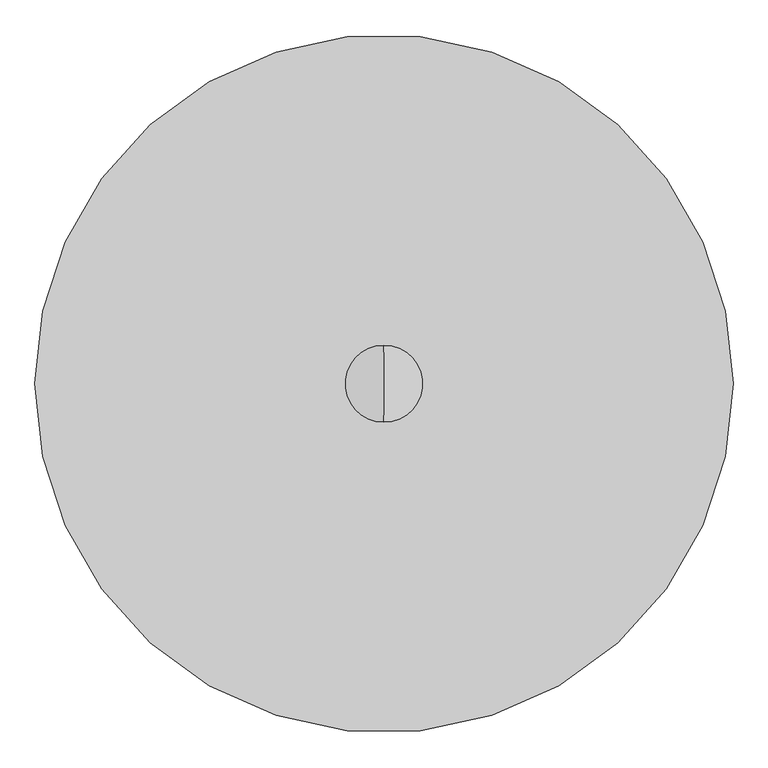
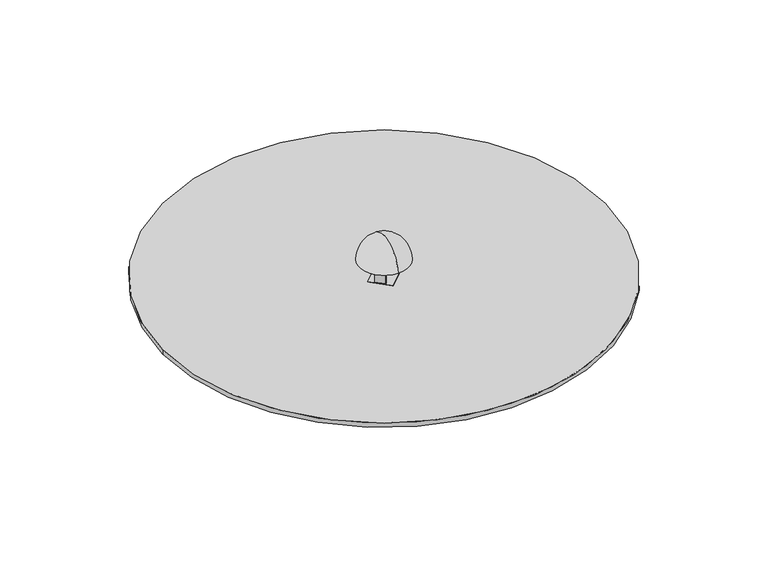
"""IFC4 building model written with IfcOpenShell, lengths in millimetres: furniture geometry."""

from ifc_helpers import new_model, si_unit, point, frame, frame_2d, origin, place, context, project, spatial, polyline, circle_curve, ellipse_curve, trimmed, segment, composite_curve, outline, extrude, faceted_brep, source, transform, mapped, element, save
from ifc_brep_helpers import plane_surface, cylinder_surface, revolved_surface, advanced_brep


def furniture_352353aa(model_context):
    return source(origin(), model_context, "Body", "SolidModel", [
        extrude(outline(polyline([(14.8658362, 0.0), (-14.2153009, 0.0), (-14.0085138, 4.9957221), (15.0726233, 4.9957221), (14.8658362, 0.0)])), frame((596.1171291, 1289.5894821, -530.9375), z_axis=(0.0, -0.39073112848927494, 0.9205048534524398), x_axis=(1.0, 0.0, 0.0)), (0.0, 0.0, 1.0), 543.1801887),
        extrude(outline(polyline([(14.8658362, 0.0), (15.0726233, -4.9957221), (-14.0085138, -4.9957221), (-14.2153009, 0.0), (14.8658362, 0.0)])), frame((251.4105179, 944.8828709, -530.9375), z_axis=(0.39073112848927494, 0.0, 0.9205048534524398), x_axis=(0.0, -1.0, 0.0)), (0.0, 0.0, 1.0), 543.1801887),
        extrude(outline(polyline([(14.8658362, 0.0), (-14.2153009, 0.0), (-14.0085138, 4.9957221), (15.0726233, 4.9957221), (14.8658362, 0.0)])), frame((595.8828709, 600.4105179, -530.9375), z_axis=(0.0, 0.39073112848927494, 0.9205048534524398), x_axis=(-1.0, 0.0, 0.0)), (0.0, 0.0, 1.0), 543.1801887),
        extrude(outline(polyline([(14.8658362, 0.0), (15.0726233, -4.9957221), (-14.0085138, -4.9957221), (-14.2153009, 0.0), (14.8658362, 0.0)])), frame((940.5894821, 945.1171291, -530.9375), z_axis=(-0.39073112848927494, 0.0, 0.9205048534524398), x_axis=(0.0, 1.0, 0.0)), (0.0, 0.0, 1.0), 543.1801887),
        extrude(outline(polyline([(250.5783144, 933.4547431), (251.6760787, 956.7795151), (583.2940293, 1288.3974657), (608.6214243, 1289.5894821), (940.5894821, 957.6214243), (939.4054367, 932.4633933), (608.5366067, 601.5945633), (583.6115737, 600.4214838), (417.5165287, 766.5165287), (250.5783144, 933.4547431)])), frame((0.0, 0.0, -530.937648), z_axis=(0.0, 0.0, 1.0), x_axis=(1.0, 0.0, 0.0)), (0.0, 0.0, 1.0), 14.9456102),
        advanced_brep(
        [(596.0, 945.0, 167.2234202), (596.0, 722.62744, 167.2234202), (596.0, 1167.37256, 167.2234202), (596.0, 945.0, 400.0)],
        [
            (0, 1),
            (1, 2, circle_curve(frame((596.0, 945.0, 167.2234202), z_axis=(0.0, 0.0, -1.0), x_axis=(0.0, -1.0, 0.0)), 222.37256)),
            (2, 0),
            (2, 1, circle_curve(frame((596.0, 945.0, 167.2234202), z_axis=(0.0, 0.0, -1.0), x_axis=(0.0, -1.0, 0.0)), 222.37256)),
            (1, 3, circle_curve(frame((596.0, 959.499675, 163.543327), z_axis=(-1.0, 0.0, 0.0), x_axis=(0.0, 1.0, 0.0)), 236.9008205)),
            (3, 2, circle_curve(frame((596.0, 930.500325, 163.543327), z_axis=(-1.0, 0.0, 0.0), x_axis=(0.0, -1.0, 0.0)), 236.9008205)),
        ],
        [
            plane_surface(frame((596.0, 945.0, 167.2234202), z_axis=(0.0, 0.0, -1.0), x_axis=(0.0, -1.0, 0.0))),
            revolved_surface(trimmed(ellipse_curve(frame((596.0, 959.499675, 163.543327), z_axis=(1.0, 0.0, 0.0), x_axis=(0.0, 1.0, 0.0)), 236.9008205, 236.9008205), [point((596.0, 945.0, 400.0))], [point((596.0, 722.62744, 167.2234202))], True, "CARTESIAN"), (596.0, 945.0, -560.6969684), (0.0, 0.0, -1.0)),
        ],
        [
            (0, [[1, 2, 3]]),
            (0, [[-3, 4, -1]]),
            (1, [[-2, 5, 6]]),
            (1, [[-4, -6, -5]]),
        ],
    ),
        advanced_brep(
        [(672.7016931, 978.9282015, 46.8064979), (672.7016931, 978.9282015, 107.2234202), (637.346354, 943.5728624, 107.2234202), (616.1331506, 922.359659, 107.2234202), (594.9199471, 901.1464555, 107.2234202), (559.5646081, 865.7911165, 107.2234202), (559.5646081, 865.7911165, 46.8064979), (626.0326455, 1025.597249, 46.8064979), (512.8955605, 912.460164, 46.8064979), (512.8955605, 912.460164, 107.2234202), (548.2508996, 947.8155031, 107.2234202), (569.464103, 969.0287065, 107.2234202), (590.6773065, 990.24191, 107.2234202), (626.0326455, 1025.597249, 107.2234202), (562.0620545, 1011.7860941, 167.2234202), (544.384385, 994.1084245, 167.2234202), (526.7067155, 976.430755, 167.2234202), (526.7067155, 969.3596872, 167.2234202), (612.5976167, 883.468786, 167.2234202), (619.6686845, 883.468786, 167.2234202), (655.0240235, 918.8241251, 167.2234202), (655.0240235, 925.8951929, 167.2234202), (569.1331223, 1011.7860941, 167.2234202), (562.0620545, 1011.7860941, 107.2234202), (569.1331223, 1011.7860941, 107.2234202), (526.7067155, 969.3596872, 107.2234202), (526.7067155, 976.430755, 107.2234202), (544.384385, 994.1084245, 107.2234202), (655.0240235, 925.8951929, 107.2234202), (655.0240235, 918.8241251, 107.2234202), (619.6686845, 883.468786, 107.2234202), (612.5976167, 883.468786, 107.2234202)],
        [
            (0, 1),
            (1, 2),
            (2, 3),
            (3, 4),
            (4, 5),
            (5, 6),
            (6, 0),
            (7, 8),
            (8, 9),
            (9, 10),
            (10, 11),
            (11, 12),
            (12, 13),
            (13, 7),
            (0, 7),
            (13, 1),
            (12, 2),
            (9, 5),
            (4, 10),
            (8, 6),
            (14, 15),
            (15, 16),
            (16, 17, circle_curve(frame((530.2422494, 972.8952211, 167.2234202), z_axis=(0.0, 0.0, 1.0), x_axis=(-0.7071067811865479, -0.7071067811865471, 0.0)), 5.0)),
            (17, 18),
            (18, 19, circle_curve(frame((616.1331506, 887.0043199, 167.2234202), z_axis=(0.0, 0.0, 1.0), x_axis=(-0.7071067811865479, -0.7071067811865471, 0.0)), 5.0)),
            (19, 20),
            (20, 21, circle_curve(frame((651.4884896, 922.359659, 167.2234202), z_axis=(0.0, 0.0, 1.0), x_axis=(-0.7071067811865479, -0.7071067811865471, 0.0)), 5.0)),
            (21, 22),
            (22, 14, circle_curve(frame((565.5975884, 1008.2505602, 167.2234202), z_axis=(0.0, 0.0, 1.0), x_axis=(-0.7071067811865479, -0.7071067811865471, 0.0)), 5.0)),
            (23, 24, circle_curve(frame((565.5975884, 1008.2505602, 107.2234202), z_axis=(0.0, 0.0, -1.0), x_axis=(-0.7071067811865479, -0.7071067811865471, 0.0)), 5.0)),
            (24, 12),
            (10, 25),
            (25, 26, circle_curve(frame((530.2422494, 972.8952211, 107.2234202), z_axis=(0.0, 0.0, -1.0), x_axis=(-0.7071067811865479, -0.7071067811865471, 0.0)), 5.0)),
            (26, 27),
            (27, 23),
            (28, 29, circle_curve(frame((651.4884896, 922.359659, 107.2234202), z_axis=(0.0, 0.0, -1.0), x_axis=(-0.7071067811865479, -0.7071067811865471, 0.0)), 5.0)),
            (29, 30),
            (30, 31, circle_curve(frame((616.1331506, 887.0043199, 107.2234202), z_axis=(0.0, 0.0, -1.0), x_axis=(-0.7071067811865479, -0.7071067811865471, 0.0)), 5.0)),
            (31, 4),
            (2, 28),
            (14, 23),
            (27, 15),
            (26, 16),
            (25, 17),
            (31, 18),
            (30, 19),
            (29, 20),
            (28, 21),
            (24, 22),
        ],
        [
            plane_surface(frame((672.7016931, 978.9282015, 107.2234202), z_axis=(0.707106781186547, -0.707106781186548, 0.0), x_axis=(0.0, 0.0, 1.0))),
            plane_surface(frame((626.0326455, 1025.597249, 107.2234202), z_axis=(-0.707106781186547, 0.707106781186548, 0.0), x_axis=(0.0, 0.0, -1.0))),
            plane_surface(frame((672.7016931, 978.9282015, 46.8064979), z_axis=(0.7071067811865476, 0.7071067811865476, 0.0), x_axis=(-0.7071067811865476, 0.7071067811865476, 0.0))),
            plane_surface(frame((672.7016931, 978.9282015, 107.2234202), z_axis=(0.0, 0.0, 1.0000000000000002), x_axis=(-0.7071067811865476, 0.7071067811865476, 0.0))),
            plane_surface(frame((616.1331506, 922.359659, 107.2234202), z_axis=(0.0, 0.0, 1.0), x_axis=(-0.7071067811865466, 0.7071067811865486, 0.0))),
            plane_surface(frame((559.5646081, 865.7911165, 107.2234202), z_axis=(-0.7071067811865496, -0.7071067811865455, 0.0), x_axis=(-0.7071067811865455, 0.7071067811865496, 0.0))),
            plane_surface(frame((559.5646081, 865.7911165, 46.8064979), z_axis=(0.0, 0.0, -1.0), x_axis=(-0.7071067811865455, 0.7071067811865496, 0.0))),
            plane_surface(frame((544.384385, 994.1084245, 167.2234202), z_axis=(0.0, 0.0, 1.0000000000000002), x_axis=(-0.7071067811865462, -0.7071067811865489, 0.0))),
            plane_surface(frame((544.384385, 994.1084245, 107.2234202), z_axis=(0.0, 0.0, -1.0000000000000002), x_axis=(0.7071067811865462, 0.7071067811865489, 0.0))),
            plane_surface(frame((562.0620545, 1011.7860941, 167.2234202), z_axis=(-0.7071067811865489, 0.7071067811865462, 0.0), x_axis=(0.0, 0.0, -1.0))),
            plane_surface(frame((544.384385, 994.1084245, 167.2234202), z_axis=(-0.7071067811865543, 0.7071067811865408, 0.0), x_axis=(0.0, 0.0, -1.0))),
            cylinder_surface(frame((530.2422494, 972.8952211, 107.2234202), z_axis=(0.0, 0.0, 1.0), x_axis=(-0.7071067811865479, -0.7071067811865471, 0.0)), 5.0),
            plane_surface(frame((526.7067155, 969.3596872, 167.2234202), z_axis=(-0.7071067811865487, -0.7071067811865465, 0.0), x_axis=(0.0, 0.0, -1.0))),
            cylinder_surface(frame((616.1331506, 887.0043199, 107.2234202), z_axis=(0.0, 0.0, 1.0), x_axis=(-0.7071067811865479, -0.7071067811865471, 0.0)), 5.0),
            plane_surface(frame((619.6686845, 883.468786, 167.2234202), z_axis=(0.7071067811865462, -0.7071067811865489, 0.0), x_axis=(0.0, 0.0, -1.0))),
            cylinder_surface(frame((651.4884896, 922.359659, 107.2234202), z_axis=(0.0, 0.0, 1.0), x_axis=(-0.7071067811865479, -0.7071067811865471, 0.0)), 5.0),
            plane_surface(frame((655.0240235, 925.8951929, 167.2234202), z_axis=(0.7071067811865476, 0.7071067811865476, 0.0), x_axis=(0.0, 0.0, -1.0))),
            cylinder_surface(frame((565.5975884, 1008.2505602, 107.2234202), z_axis=(0.0, 0.0, 1.0), x_axis=(-0.7071067811865479, -0.7071067811865471, 0.0)), 5.0),
        ],
        [
            (0, [[1, 2, 3, 4, 5, 6, 7]]),
            (1, [[8, 9, 10, 11, 12, 13, 14]]),
            (2, [[-1, 15, -14, 16]]),
            (3, [[-16, -13, 17, -2]]),
            (4, [[18, -5, 19, -10]]),
            (5, [[-6, -18, -9, 20]]),
            (6, [[-7, -20, -8, -15]]),
            (7, [[21, 22, 23, 24, 25, 26, 27, 28, 29]]),
            (8, [[30, 31, -12, -11, 32, 33, 34, 35]]),
            (8, [[36, 37, 38, 39, -4, -3, 40]]),
            (9, [[-21, 41, -35, 42]]),
            (10, [[-22, -42, -34, 43]]),
            (11, [[-23, -43, -33, 44]]),
            (12, [[-24, -44, -32, -19, -39, 45]]),
            (13, [[-25, -45, -38, 46]]),
            (14, [[-26, -46, -37, 47]]),
            (15, [[-27, -47, -36, 48]]),
            (16, [[-28, -48, -40, -17, -31, 49]]),
            (17, [[-29, -49, -30, -41]]),
        ],
    ),
        faceted_brep([(627.1250583, 1045.7180396, 92.2952296), (620.0539905, 1038.6469718, 92.2952296), (683.3082948, 975.3926676, 92.2952296), (690.3793626, 982.4637354, 92.2952296), (556.4143802, 848.498753, 92.2952296), (563.485448, 855.5698208, 92.2952296), (500.2311438, 918.8241251, 92.2952296), (493.1600759, 911.7530573, 92.2952296), (627.1250583, 1045.7180396, 1.3177663), (620.0539905, 1038.6469718, 1.3177663), (683.3082948, 975.3926676, 1.3177663), (690.3793626, 982.4637354, 1.3177663), (556.4143802, 848.498753, 1.3177663), (563.485448, 855.5698208, 1.3177663), (500.2311438, 918.8241251, 1.3177663), (493.1600759, 911.7530573, 1.3177663), (447.1981352, 943.5728624, 1.3177663), (595.3052532, 795.4657444, 1.3177663), (743.4123712, 943.5728624, 1.3177663), (595.3052532, 1091.6799804, 1.3177663), (447.1981352, 943.5728624, -4.6822337), (595.3052532, 1091.6799804, -4.6822337), (743.4123712, 943.5728624, -4.6822337), (595.3052532, 795.4657444, -4.6822337)], [[[0, 1, 2, 3]], [[4, 5, 6, 7]], [[1, 0, 8, 9]], [[2, 1, 9, 10]], [[3, 2, 10, 11]], [[0, 3, 11, 8]], [[5, 4, 12, 13]], [[6, 5, 13, 14]], [[7, 6, 14, 15]], [[4, 7, 15, 12]], [[16, 17, 18, 19], [9, 8, 11, 10], [13, 12, 15, 14]], [[20, 21, 22, 23]], [[17, 16, 20, 23]], [[18, 17, 23, 22]], [[19, 18, 22, 21]], [[16, 19, 21, 20]]]),
        extrude(outline(polyline([(458.5068606, 933.0651563), (453.5068606, 933.0651563), (453.5068606, 955.4063937), (458.5068606, 955.4063937), (458.5068606, 933.0651563)])), frame((0.0, 0.0, -32.6822337), z_axis=(0.0, 0.0, 1.0), x_axis=(1.0, 0.0, 0.0)), (0.0, 0.0, 1.0), 25.0),
        extrude(outline(polyline([(584.1697733, 1081.0693064), (584.1697733, 1086.0693064), (606.7169466, 1086.0693064), (606.7169466, 1081.0693064), (584.1697733, 1081.0693064)])), frame((0.0, 0.0, -32.6822337), z_axis=(0.0, 0.0, 1.0), x_axis=(1.0, 0.0, 0.0)), (0.0, 0.0, 1.0), 25.0),
        extrude(outline(polyline([(732.4081815, 955.3780715), (737.4081815, 955.3780715), (737.4081815, 933.0934785), (732.4081815, 933.0934785), (732.4081815, 955.3780715)])), frame((0.0, 0.0, -32.6822337), z_axis=(0.0, 0.0, 1.0), x_axis=(1.0, 0.0, 0.0)), (0.0, 0.0, 1.0), 25.0),
        extrude(outline(polyline([(606.4826885, 807.1679855), (606.4826885, 802.1679855), (584.4040315, 802.1679855), (584.4040315, 807.1679855), (606.4826885, 807.1679855)])), frame((0.0, 0.0, -32.6822337), z_axis=(0.0, 0.0, 1.0), x_axis=(1.0, 0.0, 0.0)), (0.0, 0.0, 1.0), 25.0),
        extrude(outline(polyline([(584.0316665, 1080.4063938), (606.5788399, 1080.4063938), (732.2700747, 954.7151589), (732.2700747, 932.4305659), (606.3445817, 806.5050729), (584.2659247, 806.5050729), (458.3687538, 932.4022437), (458.3687538, 954.7434811), (584.0316665, 1080.4063938)])), frame((0.0, 0.0, -9.6822337), z_axis=(0.0, 0.0, 1.0), x_axis=(1.0, 0.0, 0.0)), (0.0, 0.0, 1.0), 5.0),
        extrude(outline(composite_curve([segment(trimmed(circle_curve(frame_2d((596.0, 945.0)), 2020.0), [point((-1424.0, 945.0))], [point((2616.0, 945.0))], False, "CARTESIAN"), True, "CONTINUOUS"), segment(trimmed(circle_curve(frame_2d((596.0, 945.0)), 2020.0), [point((2616.0, 945.0))], [point((-1424.0, 945.0))], False, "CARTESIAN"), True, "CONTINUOUS")], self_intersect=False)), frame((0.0, 0.0, -40.0), z_axis=(0.0, 0.0, 1.0), x_axis=(1.0, 0.0, 0.0)), (0.0, 0.0, 1.0), 41.0),
    ])


if __name__ == "__main__":
    model = new_model("IFC4")
    model_context = context("Model", 3, world=origin())
    ifc_project = project(units=[si_unit("LENGTHUNIT", "METRE", prefix="MILLI")], contexts=[model_context])
    site = spatial("IfcSite", under=ifc_project)
    building = spatial("IfcBuilding", under=site)
    placement = place(None, origin())
    furniture_shape = furniture_352353aa(model_context)
    element("IfcFurniture", 1, at=placement, inside=building, context=model_context, shape_type="MappedRepresentation", body=[
        mapped(furniture_shape, transform((0.0, 0.0, 0.0), x_axis=(1.0, 0.0, 0.0), y_axis=(0.0, 1.0, 0.0), z_axis=(0.0, 0.0, 1.0))),
    ])
    save(model, "model.ifc")
